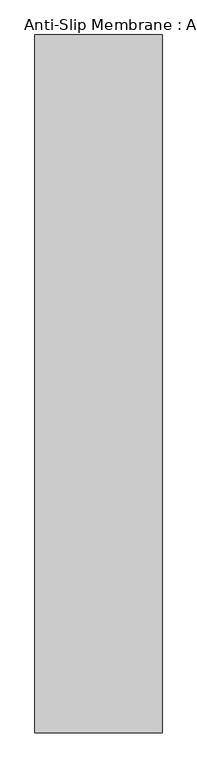
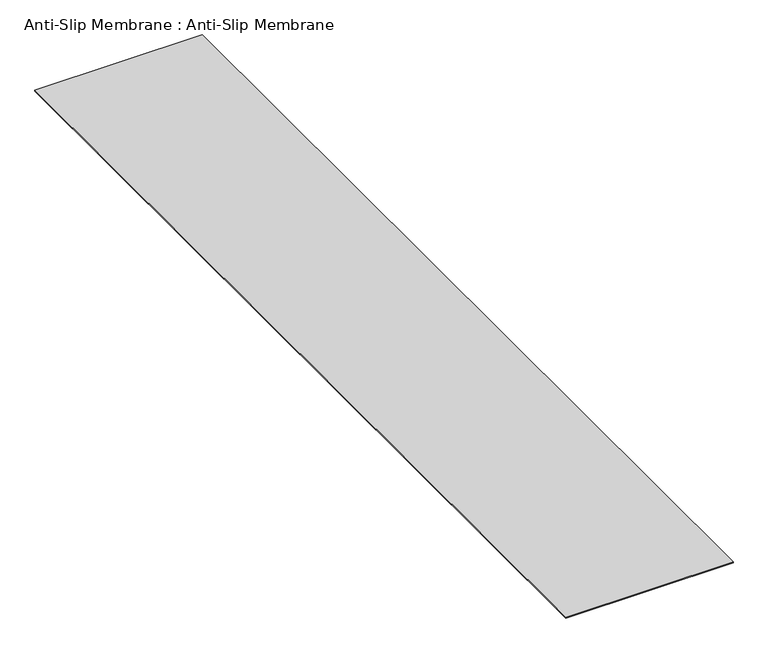
"""IFC4 building model written with IfcOpenShell, lengths in millimetres: proxy geometry, Anti-Slip Membrane : Anti-Slip Membrane."""

from ifc_helpers import new_model, si_unit, frame, origin, place, context, project, spatial, polyline, outline, extrude, source, transform, mapped, element, save


def anti_slip_membrane_anti_slip_membrane_e2ccb7e6(model_context):
    return source(origin(), model_context, "Body", "SweptSolid", [
        extrude(outline(polyline([(-915.0, 20772.4479556), (915.0, 20772.4479556), (915.0, 10722.4479556), (-915.0, 10722.4479556), (-915.0, 20772.4479556)])), frame((0.0, 0.0, 15389.0), z_axis=(0.0, 0.0, 1.0), x_axis=(1.0, 0.0, 0.0)), (0.0, 0.0, 1.0), 10.0),
    ])


if __name__ == "__main__":
    model = new_model("IFC4")
    model_context = context("Model", 3, world=origin())
    ifc_project = project(units=[si_unit("LENGTHUNIT", "METRE", prefix="MILLI")], contexts=[model_context])
    site = spatial("IfcSite", under=ifc_project)
    building = spatial("IfcBuilding", under=site)
    placement = place(None, origin())
    anti_slip_membrane_anti_slip_membrane_shape = anti_slip_membrane_anti_slip_membrane_e2ccb7e6(model_context)
    element("IfcBuildingElementProxy", 1, Name="Anti-Slip Membrane : Anti-Slip Membrane", ObjectType="Anti-Slip Membrane : Anti-Slip Membrane", at=placement, inside=building, context=model_context, shape_type="MappedRepresentation", body=[
        mapped(anti_slip_membrane_anti_slip_membrane_shape, transform((0.0, 0.0, 0.0), x_axis=(1.0, 0.0, 0.0), y_axis=(0.0, 1.0, 0.0), z_axis=(0.0, 0.0, 1.0))),
    ])
    save(model, "model.ifc")
